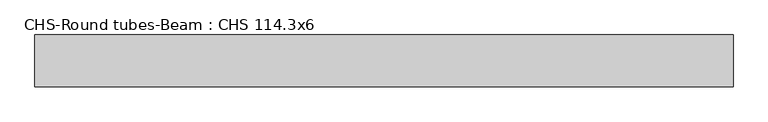
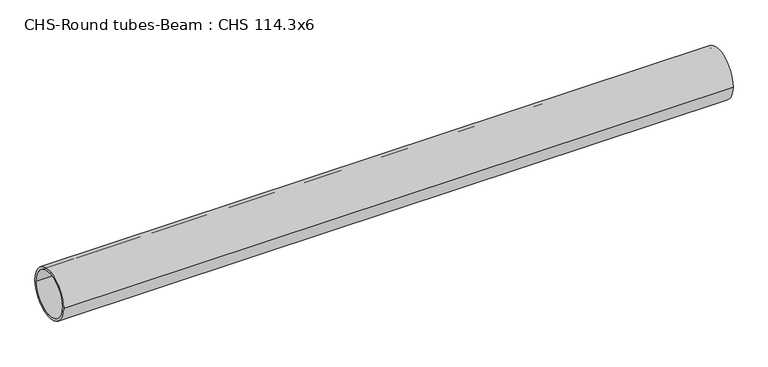
"""IFC4 building model written with IfcOpenShell, lengths in millimetres: beam geometry, CHS-Round tubes-Beam : CHS 114.3x6."""

from ifc_helpers import new_model, si_unit, point, frame, origin, origin_2d, place, context, project, spatial, circle_curve, trimmed, segment, composite_curve, outline, extrude, source, transform, mapped, element, save


def chs_round_tubes_beam_chs_114_3x6_11ab11c3(model_context):
    return source(origin(), model_context, "Body", "SweptSolid", [
        extrude(outline(composite_curve([segment(trimmed(circle_curve(origin_2d(), 57.15), [point((57.15, 0.0))], [point((-57.15, 0.0))], False, "CARTESIAN"), True, "CONTINUOUS"), segment(trimmed(circle_curve(origin_2d(), 57.15), [point((-57.15, 0.0))], [point((57.15, 0.0))], False, "CARTESIAN"), True, "CONTINUOUS")], self_intersect=False), holes=[composite_curve([segment(trimmed(circle_curve(origin_2d(), 51.15), [point((51.15, 0.0))], [point((-51.15, 0.0))], True, "CARTESIAN"), True, "CONTINUOUS"), segment(trimmed(circle_curve(origin_2d(), 51.15), [point((-51.15, 0.0))], [point((51.15, 0.0))], True, "CARTESIAN"), True, "CONTINUOUS")], self_intersect=False)]), frame((-758.2889403, 0.0, 0.0), z_axis=(1.0, 0.0, 0.0), x_axis=(0.0, 1.0, 0.0)), (0.0, 0.0, 1.0), 1536.9764243),
    ])


if __name__ == "__main__":
    model = new_model("IFC4")
    model_context = context("Model", 3, world=origin())
    ifc_project = project(units=[si_unit("LENGTHUNIT", "METRE", prefix="MILLI")], contexts=[model_context])
    site = spatial("IfcSite", under=ifc_project)
    building = spatial("IfcBuilding", under=site)
    placement = place(None, origin())
    chs_round_tubes_beam_chs_114_3x6_shape = chs_round_tubes_beam_chs_114_3x6_11ab11c3(model_context)
    element("IfcBeam", 1, ObjectType="CHS-Round tubes-Beam : CHS 114.3x6", at=placement, inside=building, context=model_context, shape_type="MappedRepresentation", body=[
        mapped(chs_round_tubes_beam_chs_114_3x6_shape, transform((0.0, 0.0, 0.0), x_axis=(1.0, 0.0, 0.0), y_axis=(0.0, 1.0, 0.0), z_axis=(0.0, 0.0, 1.0))),
    ])
    save(model, "model.ifc")
